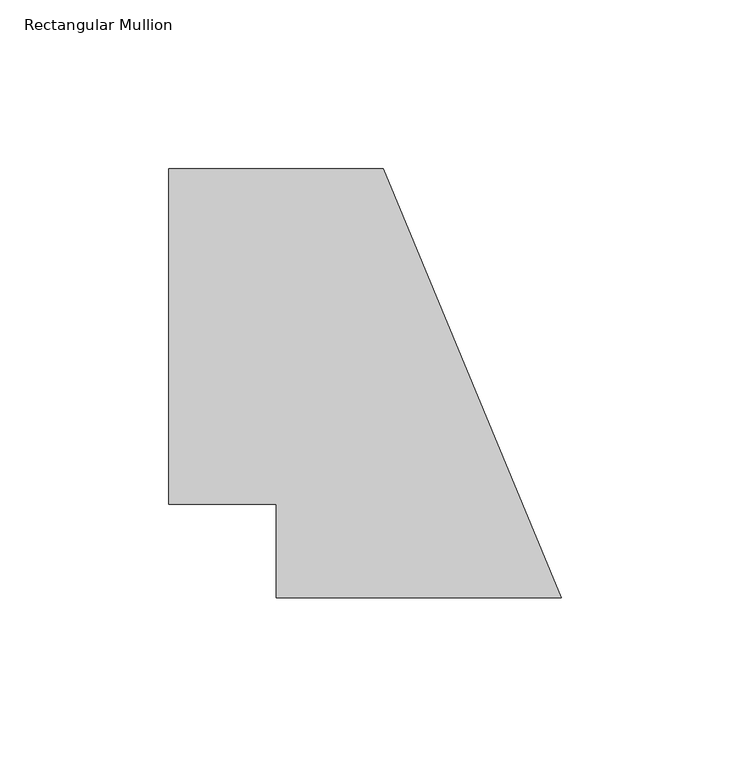
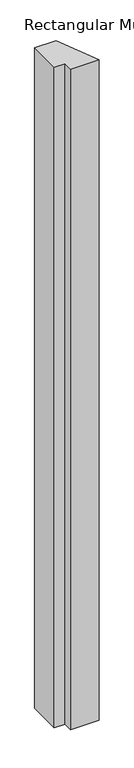
"""IFC4 building model written with IfcOpenShell, lengths in millimetres: member geometry, Rectangular Mullion."""

from ifc_helpers import new_model, si_unit, frame, origin, place, context, project, spatial, polyline, outline, extrude, source, transform, mapped, element, save


def rectangular_mullion_51280bef(model_context):
    return source(origin(), model_context, "Body", "SweptSolid", [
        extrude(outline(polyline([(-57.4447956, 138.6840047), (-4.8396732, 11.6840047), (-89.1947956, 11.6840047), (-89.1947956, 39.3700047), (-120.9447956, 39.3700047), (-120.9447956, 138.6840047), (-57.4447956, 138.6840047)])), frame((0.0, 0.0, -2057.4000001), z_axis=(0.0, 0.0, 1.0), x_axis=(1.0, 0.0, 0.0)), (0.0, 0.0, 1.0), 2057.4000001),
    ])


if __name__ == "__main__":
    model = new_model("IFC4")
    model_context = context("Model", 3, world=origin())
    ifc_project = project(units=[si_unit("LENGTHUNIT", "METRE", prefix="MILLI")], contexts=[model_context])
    site = spatial("IfcSite", under=ifc_project)
    building = spatial("IfcBuilding", under=site)
    placement = place(None, origin())
    rectangular_mullion_shape = rectangular_mullion_51280bef(model_context)
    element("IfcMember", 1, ObjectType="Rectangular Mullion", at=placement, inside=building, context=model_context, shape_type="MappedRepresentation", body=[
        mapped(rectangular_mullion_shape, transform((0.0, 0.0, 0.0), x_axis=(1.0, 0.0, 0.0), y_axis=(0.0, 1.0, 0.0), z_axis=(0.0, 0.0, 1.0))),
    ])
    save(model, "model.ifc")
